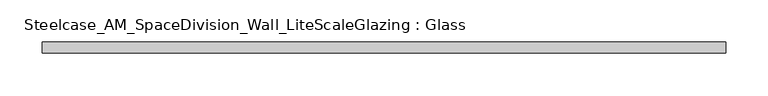
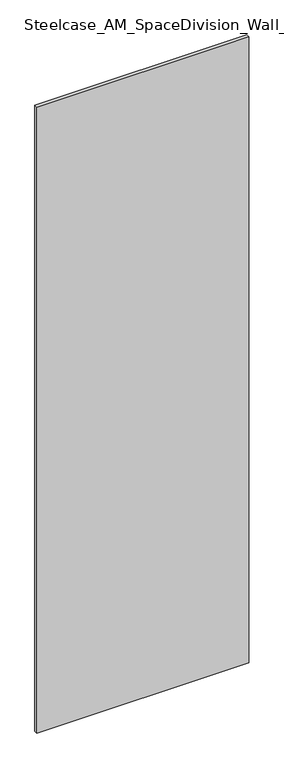
"""IFC4 building model written with IfcOpenShell, lengths in millimetres: plate geometry, Steelcase_AM_SpaceDivision_Wall_LiteScaleGlazing : Glass."""

import ifcopenshell
import ifcopenshell.guid

model = None  # the IFC model being written
_history = None  # IfcOwnerHistory: only IFC2X3 demands one
_inside = {}  # id of a spatial element -> (the spatial element, [elements in it])
_under = {}  # id of a project, library or spatial element -> (it, [spatial elements below it])
_declared = {}  # id of a project -> (the project, [libraries it declares])
_typed = {}  # id of a type object -> (the type object, [elements of that type])
_made_of = {}  # id of a material, layer set ... -> (it, [elements and type objects made of it])


def new_model(schema):
    """Start an empty IFC model of exactly this schema.

    Asked for "IFC4X3", IfcOpenShell would pick the latest addendum, in which some entities
    have other attributes; the version numbers below select the first issue.
    IFC2X3 requires an IfcOwnerHistory on every rooted entity: one is made here for all.
    """
    global model, _history
    if schema == "IFC4X3":
        model = ifcopenshell.file(schema_version=(4, 3, 0, 0))
    else:
        model = ifcopenshell.file(schema=schema)
    _inside.clear()
    _under.clear()
    _declared.clear()
    _typed.clear()
    _made_of.clear()
    _history = None
    if model.schema == "IFC2X3":
        org = make("IfcOrganization", Name="unknown")
        user = make(
            "IfcPersonAndOrganization",
            ThePerson=make("IfcPerson", FamilyName="unknown"),
            TheOrganization=org,
        )
        app = make(
            "IfcApplication",
            ApplicationDeveloper=org,
            Version="unknown",
            ApplicationFullName="unknown",
            ApplicationIdentifier="unknown",
        )
        _history = make(
            "IfcOwnerHistory",
            OwningUser=user,
            OwningApplication=app,
            ChangeAction="ADDED",
            CreationDate=0,
        )
    return model


def make(cls, **values):
    """One entity of the class cls with the attributes given. An attribute that is None is left unset."""
    return model.create_entity(
        cls, **{name: value for name, value in values.items() if value is not None}
    )


def rooted(cls, **values):
    """An entity with a GlobalId (a new one), such as an element, a storey or a relation."""
    return make(cls, GlobalId=ifcopenshell.guid.new(), OwnerHistory=_history, **values)


def si_unit(unit_type, name, prefix=None):
    """IfcSIUnit, for example si_unit("LENGTHUNIT", "METRE", prefix="MILLI")."""
    return make("IfcSIUnit", UnitType=unit_type, Prefix=prefix, Name=name)


def assignment(units):
    """IfcUnitAssignment: the units of a project."""
    return None if units is None else make("IfcUnitAssignment", Units=units)


def point(xyz):
    """IfcCartesianPoint."""
    return None if xyz is None else make("IfcCartesianPoint", Coordinates=xyz)


def direction(xyz):
    """IfcDirection."""
    return None if xyz is None else make("IfcDirection", DirectionRatios=xyz)


def frame(location, z_axis=None, x_axis=None):
    """IfcAxis2Placement3D, a coordinate frame: its origin and axes. An axis left out is left unset."""
    return make(
        "IfcAxis2Placement3D",
        Location=point(location),
        Axis=direction(z_axis),
        RefDirection=direction(x_axis),
    )


def origin():
    """The frame at (0, 0, 0) with its axes left unset."""
    return frame((0.0, 0.0, 0.0))


def origin_with_axes():
    """The frame at (0, 0, 0) with the z axis (0, 0, 1) and the x axis (1, 0, 0) written out."""
    return frame((0.0, 0.0, 0.0), z_axis=(0.0, 0.0, 1.0), x_axis=(1.0, 0.0, 0.0))


def place(relative_to, where):
    """IfcLocalPlacement: puts the frame where relative to a parent placement (None: the world)."""
    return make(
        "IfcLocalPlacement", PlacementRelTo=relative_to, RelativePlacement=where
    )


def context(
    kind, dimensions, precision=None, world=None, true_north=None, identifier=None
):
    """IfcGeometricRepresentationContext, for example the 3D "Model" context."""
    return make(
        "IfcGeometricRepresentationContext",
        ContextIdentifier=identifier,
        ContextType=kind,
        CoordinateSpaceDimension=dimensions,
        Precision=precision,
        WorldCoordinateSystem=world,
        TrueNorth=true_north,
    )


def project(units=None, contexts=None):
    """IfcProject with its units and contexts."""
    return rooted(
        "IfcProject",
        Name="project",
        RepresentationContexts=contexts,
        UnitsInContext=assignment(units),
    )


def spatial(cls, under=None, at=None, **own):
    """A site, building, storey or space (cls), placed at a placement, below another one or the project."""
    s = rooted(cls, ObjectPlacement=at, **own)
    if under is not None:
        _under.setdefault(under.id(), (under, []))[1].append(s)
    return s


def polyline(points):
    """IfcPolyline through the points."""
    return make("IfcPolyline", Points=[point(p) for p in points])


def outline(outer, holes=None, kind="AREA"):
    """IfcArbitraryClosedProfileDef: a profile drawn as a closed curve; with holes, ...WithVoids."""
    if holes is None:
        return make("IfcArbitraryClosedProfileDef", ProfileType=kind, OuterCurve=outer)
    return make(
        "IfcArbitraryProfileDefWithVoids",
        ProfileType=kind,
        OuterCurve=outer,
        InnerCurves=holes,
    )


def extrude(swept, where, along, depth):
    """IfcExtrudedAreaSolid: the profile swept, set in the frame where, extruded along a direction by depth."""
    return make(
        "IfcExtrudedAreaSolid",
        SweptArea=swept,
        Position=where,
        ExtrudedDirection=direction(along),
        Depth=depth,
    )


def shape(context_of_items, identifier, shape_type, items):
    """IfcShapeRepresentation: the items that make up one representation, for example the "Body"."""
    return make(
        "IfcShapeRepresentation",
        ContextOfItems=context_of_items,
        RepresentationIdentifier=identifier,
        RepresentationType=shape_type,
        Items=items,
    )


def source(mapping_origin, context_of_items, identifier, shape_type, items):
    """IfcRepresentationMap: a shape defined once, which mapped items show again and again."""
    return make(
        "IfcRepresentationMap",
        MappingOrigin=mapping_origin,
        MappedRepresentation=shape(context_of_items, identifier, shape_type, items),
    )


def transform(
    local_origin,
    x_axis=None,
    y_axis=None,
    z_axis=None,
    scale=None,
    scale2=None,
    scale3=None,
    uniform=True,
):
    """IfcCartesianTransformationOperator3D, or its non-uniform kind. x_axis, y_axis, z_axis: its Axis1, 2, 3."""
    if uniform:
        return make(
            "IfcCartesianTransformationOperator3D",
            Axis1=direction(x_axis),
            Axis2=direction(y_axis),
            LocalOrigin=point(local_origin),
            Scale=scale,
            Axis3=direction(z_axis),
        )
    return make(
        "IfcCartesianTransformationOperator3DnonUniform",
        Axis1=direction(x_axis),
        Axis2=direction(y_axis),
        LocalOrigin=point(local_origin),
        Scale=scale,
        Axis3=direction(z_axis),
        Scale2=scale2,
        Scale3=scale3,
    )


def mapped(mapping_source, mapping_target):
    """IfcMappedItem: shows the shape of a source again, moved by a transform."""
    return make(
        "IfcMappedItem", MappingSource=mapping_source, MappingTarget=mapping_target
    )


def made_of(thing, what):
    """Note that an element or type object is made of a material, layer set ...; save() writes the relation."""
    if what is not None:
        _made_of.setdefault(what.id(), (what, []))[1].append(thing)
    return thing


def element(
    cls,
    number,
    at=None,
    inside=None,
    cuts=None,
    type_object=None,
    material=None,
    context=None,
    identifier="Body",
    shape_type=None,
    held_by="IfcProductDefinitionShape",
    body=None,
    shapes=None,
    **own,
):
    """One element of the class cls, such as IfcWall. Its Tag is "e" and its number.

    at: its placement. inside: the storey or other place that contains it. cuts: it is an
    opening in that element (IfcRelVoidsElement). A single representation is given by context,
    identifier, shape_type and body (its items); several are given by shapes. held_by: the class
    of the entity that holds the representations. save() writes the other relations.
    """
    e = rooted(cls, Tag="e%d" % number, ObjectPlacement=at, **own)
    if body is not None:
        shapes = [shape(context, identifier, shape_type, body)]
    if shapes is not None:
        e.Representation = make(held_by, Representations=shapes)
    if inside is not None:
        _inside.setdefault(inside.id(), (inside, []))[1].append(e)
    if cuts is not None:
        rooted(
            "IfcRelVoidsElement", RelatingBuildingElement=cuts, RelatedOpeningElement=e
        )
    if type_object is not None:
        _typed.setdefault(type_object.id(), (type_object, []))[1].append(e)
    return made_of(e, material)


def aggregate(whole, parts):
    """IfcRelAggregates: a whole, such as a stair, and the parts it consists of."""
    return rooted("IfcRelAggregates", RelatingObject=whole, RelatedObjects=parts)


def save(model, path):
    """Write the relations noted so far, then the file.

    IfcRelAggregates (storeys below a building ...), IfcRelContainedInSpatialStructure (elements
    in a storey), IfcRelDefinesByType, IfcRelAssociatesMaterial and IfcRelDeclares: one each for
    every whole, place, type object, material and project.
    """
    for whole, parts in _under.values():
        aggregate(whole, parts)
    for where, things in _inside.values():
        rooted(
            "IfcRelContainedInSpatialStructure",
            RelatedElements=things,
            RelatingStructure=where,
        )
    for kind, things in _typed.values():
        rooted("IfcRelDefinesByType", RelatedObjects=things, RelatingType=kind)
    for what, things in _made_of.values():
        rooted("IfcRelAssociatesMaterial", RelatedObjects=things, RelatingMaterial=what)
    for by, libraries in _declared.values():
        rooted("IfcRelDeclares", RelatingContext=by, RelatedDefinitions=libraries)
    model.write(path)


def steelcase_am_spacedivision_wall_litescaleglazing_glass_faf826d4(model_context):
    return source(origin(), model_context, "Body", "SweptSolid", [
        extrude(outline(polyline([(-402.5012745, 6.349956), (402.5012745, 6.349956), (402.5012745, -6.3502015), (-402.5012745, -6.3502015), (-402.5012745, 6.349956)])), origin_with_axes(), (0.0, 0.0, 1.0), 2513.584),
    ])


if __name__ == "__main__":
    model = new_model("IFC4")
    model_context = context("Model", 3, world=origin())
    ifc_project = project(units=[si_unit("LENGTHUNIT", "METRE", prefix="MILLI")], contexts=[model_context])
    site = spatial("IfcSite", under=ifc_project)
    building = spatial("IfcBuilding", under=site)
    placement = place(None, origin())
    steelcase_am_spacedivision_wall_litescaleglazing_glass_shape = steelcase_am_spacedivision_wall_litescaleglazing_glass_faf826d4(model_context)
    element("IfcPlate", 1, ObjectType="Steelcase_AM_SpaceDivision_Wall_LiteScaleGlazing : Glass", at=placement, inside=building, context=model_context, shape_type="MappedRepresentation", body=[
        mapped(steelcase_am_spacedivision_wall_litescaleglazing_glass_shape, transform((0.0, 0.0, 0.0), x_axis=(1.0, 0.0, 0.0), y_axis=(0.0, 1.0, 0.0), z_axis=(0.0, 0.0, 1.0))),
    ])
    save(model, "model.ifc")
